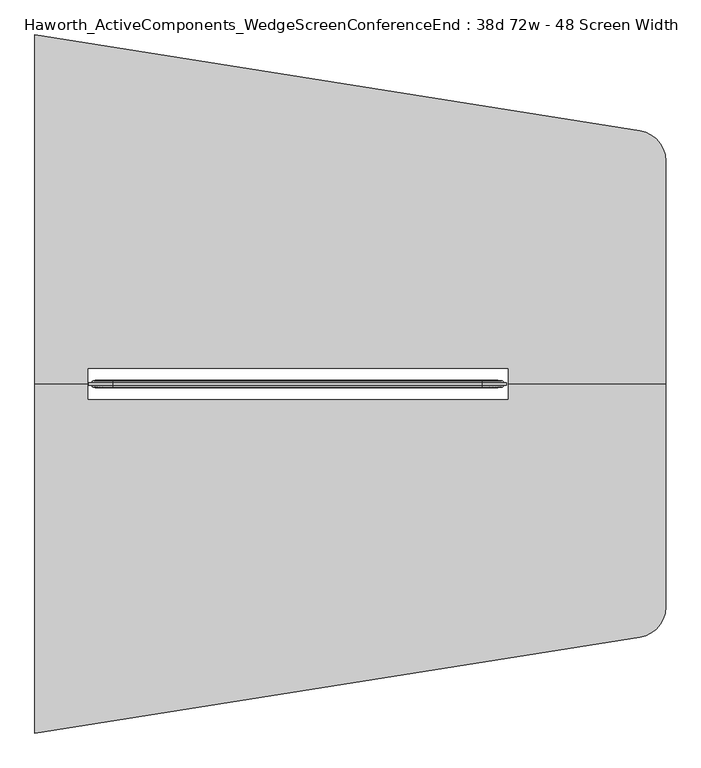
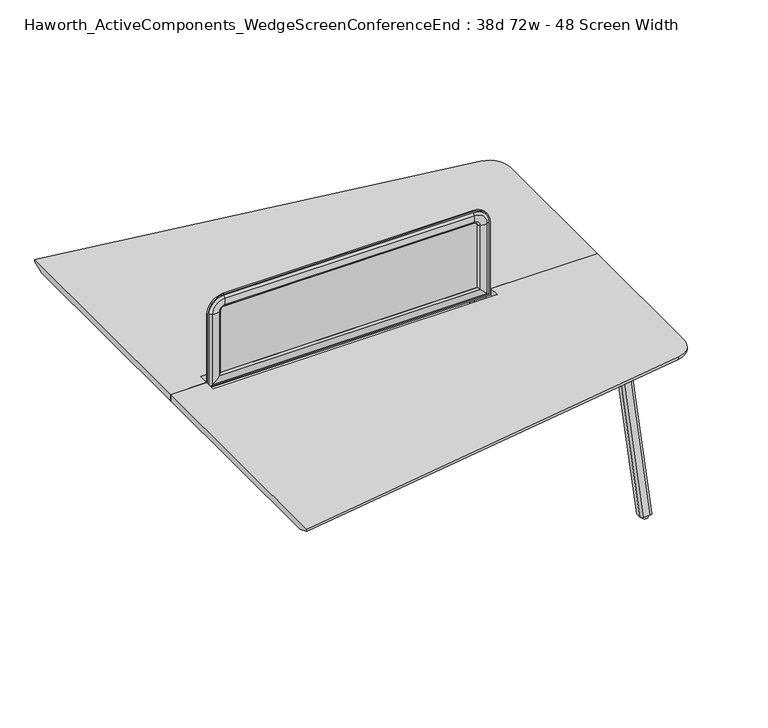
"""IFC4 building model written with IfcOpenShell, lengths in millimetres: furniture geometry, Haworth_ActiveComponents_WedgeScreenConferenceEnd : 38d 72w - 48 Screen Width."""

from ifc_helpers import new_model, si_unit, point, frame, frame_2d, origin, origin_with_axes, place, context, project, spatial, polyline, circle_curve, ellipse_curve, trimmed, segment, composite_curve, outline, extrude, source, transform, mapped, element, save
from ifc_brep_helpers import plane_surface, cylinder_surface, revolved_surface, extruded_surface, advanced_brep


def haworth_activecomponents_wedgescreenconferenceend_38d_72w_48_0d02850b(model_context):
    return source(origin(), model_context, "Body", "SolidModel", [
        advanced_brep(
        [(-313.5096882, 292.3715234, 1050.2564604), (-313.5096882, 298.7215234, 1050.2564604), (-313.5096882, 298.7215234, 715.4852418), (-313.5096882, 292.3715234, 715.4852418), (-297.9815318, 285.7253626, 1050.2564604), (-307.6365135, 292.3715234, 1050.2564604), (-307.6365135, 292.3715234, 721.3584165), (-297.9815318, 285.7253626, 731.0133982), (-269.0002339, 286.2587989, 1050.2564604), (-269.0002339, 286.2587989, 759.994696), (-259.207009, 292.3715234, 1050.2564604), (-259.207009, 292.3715234, 769.787921), (-259.207009, 298.7215234, 1050.2564604), (-259.207009, 298.7215234, 769.787921), (-269.0002339, 304.834248, 1050.2564604), (-269.0002339, 304.834248, 759.994696), (-297.9815318, 305.3676843, 1050.2564604), (-297.9815318, 305.3676843, 731.0133982), (-307.6365135, 298.7215234, 1050.2564604), (-307.6365135, 298.7215234, 721.3584165), (897.7096859, 298.7215234, 715.4852418), (897.7096859, 292.3715234, 715.4852418), (891.8365112, 292.3715234, 721.3584165), (882.1815295, 285.7253626, 731.0133982), (853.2002317, 286.2587989, 759.994696), (843.4070068, 292.3715234, 769.787921), (843.4070068, 298.7215234, 769.787921), (853.2002317, 304.834248, 759.994696), (882.1815295, 305.3676843, 731.0133982), (891.8365112, 298.7215234, 721.3584165), (897.7096859, 298.7215234, 1050.2564604), (897.7096859, 292.3715234, 1050.2564604), (891.8365112, 292.3715234, 1050.2564604), (882.1815295, 285.7253626, 1050.2564604), (853.2002317, 286.2587989, 1050.2564604), (843.4070068, 292.3715234, 1050.2564604), (843.4070068, 298.7215234, 1050.2564604), (853.2002317, 304.834248, 1050.2564604), (882.1815295, 305.3676843, 1050.2564604), (891.8365112, 298.7215234, 1050.2564604), (827.5320068, 292.3715234, 1120.4341395), (827.5320068, 298.7215234, 1120.4341395), (827.5320068, 285.7253626, 1104.9059832), (827.5320068, 292.3715234, 1114.5609648), (827.5320068, 286.2587989, 1075.9246853), (827.5320068, 292.3715234, 1066.1314604), (827.5320068, 298.7215234, 1066.1314604), (827.5320068, 304.834248, 1075.9246853), (827.5320068, 305.3676843, 1104.9059832), (827.5320068, 298.7215234, 1114.5609648), (-243.332009, 298.7215234, 1120.4341395), (-243.332009, 292.3715234, 1120.4341395), (-243.332009, 292.3715234, 1114.5609648), (-243.332009, 285.7253626, 1104.9059832), (-243.332009, 286.2587989, 1075.9246853), (-243.332009, 292.3715234, 1066.1314604), (-243.332009, 298.7215234, 1066.1314604), (-243.332009, 304.834248, 1075.9246853), (-243.332009, 305.3676843, 1104.9059832), (-243.332009, 298.7215234, 1114.5609648)],
        [
            (0, 1),
            (1, 2),
            (2, 3),
            (3, 0),
            (4, 5, circle_curve(frame((-293.7864346, 302.1556977, 1050.2564604), z_axis=(0.0, 0.0, -1.0), x_axis=(0.0, -1.0, 0.0)), 16.9574394)),
            (5, 6),
            (6, 7, ellipse_curve(frame((-293.7864346, 302.1556977, 735.2084954), z_axis=(-0.7071067811865452, 0.0, 0.7071067811865498), x_axis=(0.7071067811865498, 0.0, 0.7071067811865452)), 23.9814408, 16.9574394)),
            (7, 4),
            (8, 4, circle_curve(frame((-284.4606786, 338.680547, 1050.2564604), z_axis=(0.0, 0.0, -1.0), x_axis=(0.0, -1.0, 0.0)), 54.6540486)),
            (7, 9, ellipse_curve(frame((-284.4606786, 338.680547, 744.5342514), z_axis=(-0.7071067811865452, 0.0, 0.7071067811865498), x_axis=(0.7071067811865498, 0.0, 0.7071067811865452)), 77.2924967, 54.6540486)),
            (9, 8),
            (10, 8, circle_curve(frame((-275.0950958, 306.924654, 1050.2564604), z_axis=(0.0, 0.0, -1.0), x_axis=(0.0, -1.0, 0.0)), 21.5458792)),
            (9, 11, ellipse_curve(frame((-275.0950958, 306.924654, 753.8998342), z_axis=(-0.7071067811865452, 0.0, 0.7071067811865498), x_axis=(0.7071067811865498, 0.0, 0.7071067811865452)), 30.4704745, 21.5458792)),
            (11, 10),
            (12, 10),
            (11, 13),
            (13, 12),
            (14, 12, circle_curve(frame((-275.0950958, 284.1683929, 1050.2564604), z_axis=(0.0, 0.0, -1.0), x_axis=(0.0, -1.0, 0.0)), 21.5458792)),
            (13, 15, ellipse_curve(frame((-275.0950958, 284.1683929, 753.8998342), z_axis=(-0.7071067811865452, 0.0, 0.7071067811865498), x_axis=(0.7071067811865498, 0.0, 0.7071067811865452)), 30.4704745, 21.5458792)),
            (15, 14),
            (16, 14, circle_curve(frame((-284.4606786, 252.4124999, 1050.2564604), z_axis=(0.0, 0.0, -1.0), x_axis=(0.0, -1.0, 0.0)), 54.6540486)),
            (15, 17, ellipse_curve(frame((-284.4606786, 252.4124999, 744.5342514), z_axis=(-0.7071067811865452, 0.0, 0.7071067811865498), x_axis=(0.7071067811865498, 0.0, 0.7071067811865452)), 77.2924967, 54.6540486)),
            (17, 16),
            (18, 16, circle_curve(frame((-293.7864346, 288.9373492, 1050.2564604), z_axis=(0.0, 0.0, -1.0), x_axis=(0.0, -1.0, 0.0)), 16.9574394)),
            (17, 19, ellipse_curve(frame((-293.7864346, 288.9373492, 735.2084954), z_axis=(-0.7071067811865452, 0.0, 0.7071067811865498), x_axis=(0.7071067811865498, 0.0, 0.7071067811865452)), 23.9814408, 16.9574394)),
            (19, 18),
            (2, 20),
            (20, 21),
            (21, 3),
            (6, 22),
            (22, 23, ellipse_curve(frame((877.9864323, 302.1556977, 735.2084954), z_axis=(-0.7071067811865497, 0.0, -0.7071067811865454), x_axis=(-0.7071067811865454, 0.0, 0.7071067811865497)), 23.9814408, 16.9574394)),
            (23, 7),
            (23, 24, ellipse_curve(frame((868.6606764, 338.680547, 744.5342514), z_axis=(-0.7071067811865497, 0.0, -0.7071067811865454), x_axis=(-0.7071067811865454, 0.0, 0.7071067811865497)), 77.2924967, 54.6540486)),
            (24, 9),
            (24, 25, ellipse_curve(frame((859.2950935, 306.924654, 753.8998342), z_axis=(-0.7071067811865497, 0.0, -0.7071067811865454), x_axis=(-0.7071067811865454, 0.0, 0.7071067811865497)), 30.4704745, 21.5458792)),
            (25, 11),
            (25, 26),
            (26, 13),
            (26, 27, ellipse_curve(frame((859.2950935, 284.1683929, 753.8998342), z_axis=(-0.7071067811865497, 0.0, -0.7071067811865454), x_axis=(-0.7071067811865454, 0.0, 0.7071067811865497)), 30.4704745, 21.5458792)),
            (27, 15),
            (27, 28, ellipse_curve(frame((868.6606764, 252.4124999, 744.5342514), z_axis=(-0.7071067811865497, 0.0, -0.7071067811865454), x_axis=(-0.7071067811865454, 0.0, 0.7071067811865497)), 77.2924967, 54.6540486)),
            (28, 17),
            (28, 29, ellipse_curve(frame((877.9864323, 288.9373492, 735.2084954), z_axis=(-0.7071067811865497, 0.0, -0.7071067811865454), x_axis=(-0.7071067811865454, 0.0, 0.7071067811865497)), 23.9814408, 16.9574394)),
            (29, 19),
            (20, 30),
            (30, 31),
            (31, 21),
            (22, 32),
            (32, 33, circle_curve(frame((877.9864323, 302.1556977, 1050.2564604), z_axis=(0.0, 0.0, -1.0), x_axis=(0.0, -1.0, 0.0)), 16.9574394)),
            (33, 23),
            (33, 34, circle_curve(frame((868.6606764, 338.680547, 1050.2564604), z_axis=(0.0, 0.0, -1.0), x_axis=(0.0, -1.0, 0.0)), 54.6540486)),
            (34, 24),
            (34, 35, circle_curve(frame((859.2950935, 306.924654, 1050.2564604), z_axis=(0.0, 0.0, -1.0), x_axis=(0.0, -1.0, 0.0)), 21.5458792)),
            (35, 25),
            (35, 36),
            (36, 26),
            (36, 37, circle_curve(frame((859.2950935, 284.1683929, 1050.2564604), z_axis=(0.0, 0.0, -1.0), x_axis=(0.0, -1.0, 0.0)), 21.5458792)),
            (37, 27),
            (37, 38, circle_curve(frame((868.6606764, 252.4124999, 1050.2564604), z_axis=(0.0, 0.0, -1.0), x_axis=(0.0, -1.0, 0.0)), 54.6540486)),
            (38, 28),
            (38, 39, circle_curve(frame((877.9864323, 288.9373492, 1050.2564604), z_axis=(0.0, 0.0, -1.0), x_axis=(0.0, -1.0, 0.0)), 16.9574394)),
            (39, 29),
            (40, 31, circle_curve(frame((827.5320068, 292.3715234, 1050.2564604), z_axis=(0.0, 1.0, 0.0), x_axis=(1.0, 0.0, 0.0)), 70.1776791)),
            (30, 41, circle_curve(frame((827.5320068, 298.7215234, 1050.2564604), z_axis=(0.0, -1.0, 0.0), x_axis=(1.0, 0.0, 0.0)), 70.1776791)),
            (41, 40),
            (42, 33, circle_curve(frame((827.5320068, 285.7253626, 1050.2564604), z_axis=(0.0, 1.0, 0.0), x_axis=(1.0, 0.0, 0.0)), 54.6495228)),
            (32, 43, circle_curve(frame((827.5320068, 292.3715234, 1050.2564604), z_axis=(0.0, -1.0, 0.0), x_axis=(1.0, 0.0, 0.0)), 64.3045045)),
            (43, 42, circle_curve(frame((827.5320068, 302.1556977, 1100.7108859), z_axis=(1.0, 0.0, 0.0), x_axis=(0.0, -1.0, 0.0)), 16.9574394)),
            (44, 34, circle_curve(frame((827.5320068, 286.2587989, 1050.2564604), z_axis=(0.0, 1.0, 0.0), x_axis=(1.0, 0.0, 0.0)), 25.6682249)),
            (42, 44, circle_curve(frame((827.5320068, 338.680547, 1091.38513), z_axis=(1.0, 0.0, 0.0), x_axis=(0.0, -1.0, 0.0)), 54.6540486)),
            (45, 35, circle_curve(frame((827.5320068, 292.3715234, 1050.2564604), z_axis=(0.0, 1.0, 0.0), x_axis=(1.0, 0.0, 0.0)), 15.875)),
            (44, 45, circle_curve(frame((827.5320068, 306.924654, 1082.0195471), z_axis=(1.0, 0.0, 0.0), x_axis=(0.0, -1.0, 0.0)), 21.5458792)),
            (46, 36, circle_curve(frame((827.5320068, 298.7215234, 1050.2564604), z_axis=(0.0, 1.0, 0.0), x_axis=(1.0, 0.0, 0.0)), 15.875)),
            (45, 46),
            (47, 37, circle_curve(frame((827.5320068, 304.834248, 1050.2564604), z_axis=(0.0, 1.0, 0.0), x_axis=(1.0, 0.0, 0.0)), 25.6682249)),
            (46, 47, circle_curve(frame((827.5320068, 284.1683929, 1082.0195471), z_axis=(1.0, 0.0, 0.0), x_axis=(0.0, -1.0, 0.0)), 21.5458792)),
            (48, 38, circle_curve(frame((827.5320068, 305.3676843, 1050.2564604), z_axis=(0.0, 1.0, 0.0), x_axis=(1.0, 0.0, 0.0)), 54.6495228)),
            (47, 48, circle_curve(frame((827.5320068, 252.4124999, 1091.38513), z_axis=(1.0, 0.0, 0.0), x_axis=(0.0, -1.0, 0.0)), 54.6540486)),
            (49, 39, circle_curve(frame((827.5320068, 298.7215234, 1050.2564604), z_axis=(0.0, 1.0, 0.0), x_axis=(1.0, 0.0, 0.0)), 64.3045045)),
            (48, 49, circle_curve(frame((827.5320068, 288.9373492, 1100.7108859), z_axis=(1.0, 0.0, 0.0), x_axis=(0.0, -1.0, 0.0)), 16.9574394)),
            (41, 50),
            (50, 51),
            (51, 40),
            (43, 52),
            (52, 53, circle_curve(frame((-243.332009, 302.1556977, 1100.7108859), z_axis=(1.0, 0.0, 0.0), x_axis=(0.0, -1.0, 0.0)), 16.9574394)),
            (53, 42),
            (53, 54, circle_curve(frame((-243.332009, 338.680547, 1091.38513), z_axis=(1.0, 0.0, 0.0), x_axis=(0.0, -1.0, 0.0)), 54.6540486)),
            (54, 44),
            (54, 55, circle_curve(frame((-243.332009, 306.924654, 1082.0195471), z_axis=(1.0, 0.0, 0.0), x_axis=(0.0, -1.0, 0.0)), 21.5458792)),
            (55, 45),
            (55, 56),
            (56, 46),
            (56, 57, circle_curve(frame((-243.332009, 284.1683929, 1082.0195471), z_axis=(1.0, 0.0, 0.0), x_axis=(0.0, -1.0, 0.0)), 21.5458792)),
            (57, 47),
            (57, 58, circle_curve(frame((-243.332009, 252.4124999, 1091.38513), z_axis=(1.0, 0.0, 0.0), x_axis=(0.0, -1.0, 0.0)), 54.6540486)),
            (58, 48),
            (58, 59, circle_curve(frame((-243.332009, 288.9373492, 1100.7108859), z_axis=(1.0, 0.0, 0.0), x_axis=(0.0, -1.0, 0.0)), 16.9574394)),
            (59, 49),
            (0, 51, circle_curve(frame((-243.332009, 292.3715234, 1050.2564604), z_axis=(0.0, 1.0, 0.0), x_axis=(0.0, 0.0, 1.0)), 70.1776791)),
            (50, 1, circle_curve(frame((-243.332009, 298.7215234, 1050.2564604), z_axis=(0.0, -1.0, 0.0), x_axis=(0.0, 0.0, 1.0)), 70.1776791)),
            (5, 52, circle_curve(frame((-243.332009, 292.3715234, 1050.2564604), z_axis=(0.0, 1.0, 0.0), x_axis=(0.0, 0.0, 1.0)), 64.3045045)),
            (4, 53, circle_curve(frame((-243.332009, 285.7253626, 1050.2564604), z_axis=(0.0, 1.0, 0.0), x_axis=(0.0, 0.0, 1.0)), 54.6495228)),
            (8, 54, circle_curve(frame((-243.332009, 286.2587989, 1050.2564604), z_axis=(0.0, 1.0, 0.0), x_axis=(0.0, 0.0, 1.0)), 25.6682249)),
            (10, 55, circle_curve(frame((-243.332009, 292.3715234, 1050.2564604), z_axis=(0.0, 1.0, 0.0), x_axis=(0.0, 0.0, 1.0)), 15.875)),
            (12, 56, circle_curve(frame((-243.332009, 298.7215234, 1050.2564604), z_axis=(0.0, 1.0, 0.0), x_axis=(0.0, 0.0, 1.0)), 15.875)),
            (14, 57, circle_curve(frame((-243.332009, 304.834248, 1050.2564604), z_axis=(0.0, 1.0, 0.0), x_axis=(0.0, 0.0, 1.0)), 25.6682249)),
            (16, 58, circle_curve(frame((-243.332009, 305.3676843, 1050.2564604), z_axis=(0.0, 1.0, 0.0), x_axis=(0.0, 0.0, 1.0)), 54.6495228)),
            (18, 59, circle_curve(frame((-243.332009, 298.7215234, 1050.2564604), z_axis=(0.0, 1.0, 0.0), x_axis=(0.0, 0.0, 1.0)), 64.3045045)),
        ],
        [
            plane_surface(frame((-313.5096882, 298.7215234, 1050.2564604), z_axis=(-1.0, 0.0, 0.0), x_axis=(0.0, 0.0, -1.0))),
            cylinder_surface(frame((-293.7864346, 302.1556977, 1050.2564604), z_axis=(0.0, 0.0, 1.0), x_axis=(0.0, -1.0, 0.0)), 16.9574394),
            cylinder_surface(frame((-284.4606786, 338.680547, 1050.2564604), z_axis=(0.0, 0.0, 1.0), x_axis=(0.0, -1.0, 0.0)), 54.6540486),
            cylinder_surface(frame((-275.0950958, 306.924654, 1050.2564604), z_axis=(0.0, 0.0, 1.0), x_axis=(0.0, -1.0, 0.0)), 21.5458792),
            plane_surface(frame((-259.207009, 292.3715234, 1050.2564604), z_axis=(1.0, 0.0, 0.0), x_axis=(0.0, 0.0, -1.0))),
            cylinder_surface(frame((-275.0950958, 284.1683929, 1050.2564604), z_axis=(0.0, 0.0, 1.0), x_axis=(0.0, -1.0, 0.0)), 21.5458792),
            cylinder_surface(frame((-284.4606786, 252.4124999, 1050.2564604), z_axis=(0.0, 0.0, 1.0), x_axis=(0.0, -1.0, 0.0)), 54.6540486),
            cylinder_surface(frame((-293.7864346, 288.9373492, 1050.2564604), z_axis=(0.0, 0.0, 1.0), x_axis=(0.0, -1.0, 0.0)), 16.9574394),
            plane_surface(frame((-313.5096882, 298.7215234, 715.4852418), z_axis=(0.0, 0.0, -1.0), x_axis=(1.0, 0.0, 0.0))),
            cylinder_surface(frame((-259.207009, 302.1556977, 735.2084954), z_axis=(-1.0, 0.0, 0.0), x_axis=(0.0, -1.0, 0.0)), 16.9574394),
            cylinder_surface(frame((-259.207009, 338.680547, 744.5342514), z_axis=(-1.0, 0.0, 0.0), x_axis=(0.0, -1.0, 0.0)), 54.6540486),
            cylinder_surface(frame((-259.207009, 306.924654, 753.8998342), z_axis=(-1.0, 0.0, 0.0), x_axis=(0.0, -1.0, 0.0)), 21.5458792),
            plane_surface(frame((-259.207009, 292.3715234, 769.787921), z_axis=(0.0, 0.0, 1.0), x_axis=(1.0, 0.0, 0.0))),
            cylinder_surface(frame((-259.207009, 284.1683929, 753.8998342), z_axis=(-1.0, 0.0, 0.0), x_axis=(0.0, -1.0, 0.0)), 21.5458792),
            cylinder_surface(frame((-259.207009, 252.4124999, 744.5342514), z_axis=(-1.0, 0.0, 0.0), x_axis=(0.0, -1.0, 0.0)), 54.6540486),
            cylinder_surface(frame((-259.207009, 288.9373492, 735.2084954), z_axis=(-1.0, 0.0, 0.0), x_axis=(0.0, -1.0, 0.0)), 16.9574394),
            plane_surface(frame((897.7096859, 298.7215234, 715.4852418), z_axis=(1.0, 0.0, 0.0), x_axis=(0.0, 0.0, 1.0))),
            cylinder_surface(frame((877.9864323, 302.1556977, 769.787921), z_axis=(0.0, 0.0, -1.0), x_axis=(0.0, -1.0, 0.0)), 16.9574394),
            cylinder_surface(frame((868.6606764, 338.680547, 769.787921), z_axis=(0.0, 0.0, -1.0), x_axis=(0.0, -1.0, 0.0)), 54.6540486),
            cylinder_surface(frame((859.2950935, 306.924654, 769.787921), z_axis=(0.0, 0.0, -1.0), x_axis=(0.0, -1.0, 0.0)), 21.5458792),
            plane_surface(frame((843.4070068, 292.3715234, 769.787921), z_axis=(-1.0, 0.0, 0.0), x_axis=(0.0, 0.0, 1.0))),
            cylinder_surface(frame((859.2950935, 284.1683929, 769.787921), z_axis=(0.0, 0.0, -1.0), x_axis=(0.0, -1.0, 0.0)), 21.5458792),
            cylinder_surface(frame((868.6606764, 252.4124999, 769.787921), z_axis=(0.0, 0.0, -1.0), x_axis=(0.0, -1.0, 0.0)), 54.6540486),
            cylinder_surface(frame((877.9864323, 288.9373492, 769.787921), z_axis=(0.0, 0.0, -1.0), x_axis=(0.0, -1.0, 0.0)), 16.9574394),
            cylinder_surface(frame((827.5320068, 292.3715234, 1050.2564604), z_axis=(0.0, -1.0, 0.0), x_axis=(1.0, 0.0, 0.0)), 70.1776791),
            revolved_surface(trimmed(ellipse_curve(frame((877.9864323, 302.1556977, 1050.2564604), z_axis=(0.0, 0.0, -1.0), x_axis=(0.0, -1.0, 0.0)), 16.9574394, 16.9574394), [point((891.8365112, 292.3715234, 1050.2564604))], [point((882.1815295, 285.7253626, 1050.2564604))], True, "CARTESIAN"), (827.5320068, 292.3715234, 1050.2564604), (0.0, -1.0, 0.0)),
            revolved_surface(trimmed(ellipse_curve(frame((868.6606764, 338.680547, 1050.2564604), z_axis=(0.0, 0.0, -1.0), x_axis=(0.0, -1.0, 0.0)), 54.6540486, 54.6540486), [point((882.1815295, 285.7253626, 1050.2564604))], [point((853.2002317, 286.2587989, 1050.2564604))], True, "CARTESIAN"), (827.5320068, 292.3715234, 1050.2564604), (0.0, -1.0, 0.0)),
            revolved_surface(trimmed(ellipse_curve(frame((859.2950935, 306.924654, 1050.2564604), z_axis=(0.0, 0.0, -1.0), x_axis=(0.0, -1.0, 0.0)), 21.5458792, 21.5458792), [point((853.2002317, 286.2587989, 1050.2564604))], [point((843.4070068, 292.3715234, 1050.2564604))], True, "CARTESIAN"), (827.5320068, 292.3715234, 1050.2564604), (0.0, -1.0, 0.0)),
            revolved_surface(polyline([(843.4070068, 292.3715234, 1050.2564604), (843.4070068, 298.7215234, 1050.2564604)]), (827.5320068, 292.3715234, 1050.2564604), (0.0, -1.0, 0.0)),
            revolved_surface(trimmed(ellipse_curve(frame((859.2950935, 284.1683929, 1050.2564604), z_axis=(0.0, 0.0, -1.0), x_axis=(0.0, -1.0, 0.0)), 21.5458792, 21.5458792), [point((843.4070068, 298.7215234, 1050.2564604))], [point((853.2002317, 304.834248, 1050.2564604))], True, "CARTESIAN"), (827.5320068, 292.3715234, 1050.2564604), (0.0, -1.0, 0.0)),
            revolved_surface(trimmed(ellipse_curve(frame((868.6606764, 252.4124999, 1050.2564604), z_axis=(0.0, 0.0, -1.0), x_axis=(0.0, -1.0, 0.0)), 54.6540486, 54.6540486), [point((853.2002317, 304.834248, 1050.2564604))], [point((882.1815295, 305.3676843, 1050.2564604))], True, "CARTESIAN"), (827.5320068, 292.3715234, 1050.2564604), (0.0, -1.0, 0.0)),
            revolved_surface(trimmed(ellipse_curve(frame((877.9864323, 288.9373492, 1050.2564604), z_axis=(0.0, 0.0, -1.0), x_axis=(0.0, -1.0, 0.0)), 16.9574394, 16.9574394), [point((882.1815295, 305.3676843, 1050.2564604))], [point((891.8365112, 298.7215234, 1050.2564604))], True, "CARTESIAN"), (827.5320068, 292.3715234, 1050.2564604), (0.0, -1.0, 0.0)),
            plane_surface(frame((827.5320068, 298.7215234, 1120.4341395), z_axis=(0.0, 0.0, 1.0), x_axis=(-1.0, 0.0, 0.0))),
            cylinder_surface(frame((827.5320068, 302.1556977, 1100.7108859), z_axis=(1.0, 0.0, 0.0), x_axis=(0.0, -1.0, 0.0)), 16.9574394),
            cylinder_surface(frame((827.5320068, 338.680547, 1091.38513), z_axis=(1.0, 0.0, 0.0), x_axis=(0.0, -1.0, 0.0)), 54.6540486),
            cylinder_surface(frame((827.5320068, 306.924654, 1082.0195471), z_axis=(1.0, 0.0, 0.0), x_axis=(0.0, -1.0, 0.0)), 21.5458792),
            plane_surface(frame((827.5320068, 292.3715234, 1066.1314604), z_axis=(0.0, 0.0, -1.0), x_axis=(-1.0, 0.0, 0.0))),
            cylinder_surface(frame((827.5320068, 284.1683929, 1082.0195471), z_axis=(1.0, 0.0, 0.0), x_axis=(0.0, -1.0, 0.0)), 21.5458792),
            cylinder_surface(frame((827.5320068, 252.4124999, 1091.38513), z_axis=(1.0, 0.0, 0.0), x_axis=(0.0, -1.0, 0.0)), 54.6540486),
            cylinder_surface(frame((827.5320068, 288.9373492, 1100.7108859), z_axis=(1.0, 0.0, 0.0), x_axis=(0.0, -1.0, 0.0)), 16.9574394),
            cylinder_surface(frame((-243.332009, 292.3715234, 1050.2564604), z_axis=(0.0, -1.0, 0.0), x_axis=(0.0, 0.0, 1.0)), 70.1776791),
            plane_surface(frame((-243.332009, 292.3715234, 1050.2564604), z_axis=(0.0, -1.0, 0.0), x_axis=(0.0, 0.0, 1.0))),
            revolved_surface(trimmed(ellipse_curve(frame((-243.332009, 302.1556977, 1100.7108859), z_axis=(1.0, 0.0, 0.0), x_axis=(0.0, -1.0, 0.0)), 16.9574394, 16.9574394), [point((-243.332009, 292.3715234, 1114.5609648))], [point((-243.332009, 285.7253626, 1104.9059832))], True, "CARTESIAN"), (-243.332009, 292.3715234, 1050.2564604), (0.0, -1.0, 0.0)),
            revolved_surface(trimmed(ellipse_curve(frame((-243.332009, 338.680547, 1091.38513), z_axis=(1.0, 0.0, 0.0), x_axis=(0.0, -1.0, 0.0)), 54.6540486, 54.6540486), [point((-243.332009, 285.7253626, 1104.9059832))], [point((-243.332009, 286.2587989, 1075.9246853))], True, "CARTESIAN"), (-243.332009, 292.3715234, 1050.2564604), (0.0, -1.0, 0.0)),
            revolved_surface(trimmed(ellipse_curve(frame((-243.332009, 306.924654, 1082.0195471), z_axis=(1.0, 0.0, 0.0), x_axis=(0.0, -1.0, 0.0)), 21.5458792, 21.5458792), [point((-243.332009, 286.2587989, 1075.9246853))], [point((-243.332009, 292.3715234, 1066.1314604))], True, "CARTESIAN"), (-243.332009, 292.3715234, 1050.2564604), (0.0, -1.0, 0.0)),
            revolved_surface(polyline([(-243.332009, 292.3715234, 1066.1314604), (-243.332009, 298.7215234, 1066.1314604)]), (-243.332009, 292.3715234, 1050.2564604), (0.0, -1.0, 0.0)),
            revolved_surface(trimmed(ellipse_curve(frame((-243.332009, 284.1683929, 1082.0195471), z_axis=(1.0, 0.0, 0.0), x_axis=(0.0, -1.0, 0.0)), 21.5458792, 21.5458792), [point((-243.332009, 298.7215234, 1066.1314604))], [point((-243.332009, 304.834248, 1075.9246853))], True, "CARTESIAN"), (-243.332009, 292.3715234, 1050.2564604), (0.0, -1.0, 0.0)),
            revolved_surface(trimmed(ellipse_curve(frame((-243.332009, 252.4124999, 1091.38513), z_axis=(1.0, 0.0, 0.0), x_axis=(0.0, -1.0, 0.0)), 54.6540486, 54.6540486), [point((-243.332009, 304.834248, 1075.9246853))], [point((-243.332009, 305.3676843, 1104.9059832))], True, "CARTESIAN"), (-243.332009, 292.3715234, 1050.2564604), (0.0, -1.0, 0.0)),
            revolved_surface(trimmed(ellipse_curve(frame((-243.332009, 288.9373492, 1100.7108859), z_axis=(1.0, 0.0, 0.0), x_axis=(0.0, -1.0, 0.0)), 16.9574394, 16.9574394), [point((-243.332009, 305.3676843, 1104.9059832))], [point((-243.332009, 298.7215234, 1114.5609648))], True, "CARTESIAN"), (-243.332009, 292.3715234, 1050.2564604), (0.0, -1.0, 0.0)),
            plane_surface(frame((-243.332009, 298.7215234, 1050.2564604), z_axis=(0.0, 1.0, 0.0), x_axis=(0.0, 0.0, 1.0))),
        ],
        [
            (0, [[1, 2, 3, 4]]),
            (1, [[5, 6, 7, 8]]),
            (2, [[9, -8, 10, 11]]),
            (3, [[12, -11, 13, 14]]),
            (4, [[15, -14, 16, 17]]),
            (5, [[18, -17, 19, 20]]),
            (6, [[21, -20, 22, 23]]),
            (7, [[24, -23, 25, 26]]),
            (8, [[-3, 27, 28, 29]]),
            (9, [[-7, 30, 31, 32]]),
            (10, [[-10, -32, 33, 34]]),
            (11, [[-13, -34, 35, 36]]),
            (12, [[-16, -36, 37, 38]]),
            (13, [[-19, -38, 39, 40]]),
            (14, [[-22, -40, 41, 42]]),
            (15, [[-25, -42, 43, 44]]),
            (16, [[-28, 45, 46, 47]]),
            (17, [[-31, 48, 49, 50]]),
            (18, [[-33, -50, 51, 52]]),
            (19, [[-35, -52, 53, 54]]),
            (20, [[-37, -54, 55, 56]]),
            (21, [[-39, -56, 57, 58]]),
            (22, [[-41, -58, 59, 60]]),
            (23, [[-43, -60, 61, 62]]),
            (24, [[63, -46, 64, 65]]),
            (25, [[66, -49, 67, 68]]),
            (26, [[69, -51, -66, 70]]),
            (27, [[71, -53, -69, 72]]),
            (28, [[73, -55, -71, 74]]),
            (29, [[75, -57, -73, 76]]),
            (30, [[77, -59, -75, 78]]),
            (31, [[79, -61, -77, 80]]),
            (32, [[-65, 81, 82, 83]]),
            (33, [[-68, 84, 85, 86]]),
            (34, [[-70, -86, 87, 88]]),
            (35, [[-72, -88, 89, 90]]),
            (36, [[-74, -90, 91, 92]]),
            (37, [[-76, -92, 93, 94]]),
            (38, [[-78, -94, 95, 96]]),
            (39, [[-80, -96, 97, 98]]),
            (40, [[99, -82, 100, -1]]),
            (41, [[-63, -83, -99, -4, -29, -47], [101, -84, -67, -48, -30, -6]]),
            (42, [[102, -85, -101, -5]]),
            (43, [[103, -87, -102, -9]]),
            (44, [[104, -89, -103, -12]]),
            (45, [[105, -91, -104, -15]]),
            (46, [[106, -93, -105, -18]]),
            (47, [[107, -95, -106, -21]]),
            (48, [[108, -97, -107, -24]]),
            (49, [[-100, -81, -64, -45, -27, -2], [-79, -98, -108, -26, -44, -62]]),
        ],
    ),
        extrude(outline(composite_curve([segment(polyline([(769.787921, 843.4070068), (1050.2564604, 843.4070068)]), True, "CONTINUOUS"), segment(trimmed(circle_curve(frame_2d((1050.2564604, 827.5320068)), 15.875), [point((1050.2564604, 843.4070068))], [point((1066.1314604, 827.5320068))], False, "CARTESIAN"), True, "CONTINUOUS"), segment(polyline([(1066.1314604, 827.5320068), (1066.1314604, -243.332009)]), True, "CONTINUOUS"), segment(trimmed(circle_curve(frame_2d((1050.2564604, -243.332009)), 15.875), [point((1066.1314604, -243.332009))], [point((1050.2564604, -259.207009))], False, "CARTESIAN"), True, "CONTINUOUS"), segment(polyline([(1050.2564604, -259.207009), (769.787921, -259.207009), (769.787921, 843.4070068)]), True, "CONTINUOUS")], self_intersect=False)), frame((0.0, 292.3715234, 0.0), z_axis=(0.0, 1.0, 0.0), x_axis=(0.0, 0.0, 1.0)), (0.0, 0.0, 1.0), 6.35),
        advanced_brep(
        [(903.2875, 341.5840234, 741.3625), (903.2875, 295.5465234, 741.3625), (1358.9, 295.5465234, 741.3625), (1358.9, 941.202786, 741.3625), (1283.9070239, 1029.0082795, 741.3625), (-469.9, 1306.7840234, 741.3625), (-469.9, 295.5465234, 741.3625), (-317.5, 295.5465234, 741.3625), (-317.5, 341.5840234, 741.3625), (903.2875, 341.5840234, 711.2), (-317.5, 341.5840234, 711.2), (-317.5, 295.5465234, 711.2), (-469.9, 295.5465234, 711.2), (-469.9, 1255.3507951, 711.2), (1275.9601531, 978.8337118, 711.2), (1308.1, 941.202786, 711.2), (1308.1, 295.5465234, 711.2), (903.2875, 295.5465234, 711.2), (-469.9, 1306.7840234, 731.8375), (1358.9, 295.5465234, 731.8375), (1358.9, 941.202786, 731.8375), (1283.9070239, 1029.0082795, 731.8375)],
        [
            (0, 1),
            (1, 2),
            (2, 3),
            (3, 4, circle_curve(frame((1270.0, 941.202786, 741.3625), z_axis=(0.0, 0.0, 1.0), x_axis=(1.0, 0.0, 0.0)), 88.9)),
            (4, 5),
            (5, 6),
            (6, 7),
            (7, 8),
            (8, 0),
            (9, 10),
            (10, 11),
            (11, 12),
            (12, 13),
            (13, 14),
            (14, 15, circle_curve(frame((1270.0, 941.202786, 711.2), z_axis=(0.0, 0.0, -1.0), x_axis=(0.15643446504022915, 0.987688340595138, 0.0)), 38.1)),
            (15, 16),
            (16, 17),
            (17, 9),
            (8, 10),
            (9, 0),
            (5, 18),
            (18, 13),
            (12, 6),
            (2, 19),
            (19, 20),
            (20, 3),
            (1, 17),
            (16, 19),
            (4, 21),
            (21, 18),
            (20, 21, circle_curve(frame((1270.0, 941.202786, 731.8375), z_axis=(0.0, 0.0, 1.0), x_axis=(1.0, 0.0, 0.0)), 88.9)),
            (21, 14),
            (20, 15),
            (7, 11),
        ],
        [
            plane_surface(frame((-317.5, 341.5840234, 741.3625), z_axis=(0.0, 0.0, 1.0), x_axis=(-1.0, 0.0, 0.0))),
            plane_surface(frame((-317.5, 341.5840234, 711.2), z_axis=(0.0, 0.0, -1.0), x_axis=(1.0, 0.0, 0.0))),
            plane_surface(frame((903.2875, 341.5840234, 741.3625), z_axis=(0.0, -1.0, 0.0), x_axis=(0.0, 0.0, -1.0))),
            plane_surface(frame((-469.9, 295.5465234, 741.3625), z_axis=(-1.0, 0.0, 0.0), x_axis=(0.0, 0.0, -1.0))),
            plane_surface(frame((1358.9, 941.202786, 741.3625), z_axis=(1.0, 0.0, 0.0), x_axis=(0.0, 0.0, -1.0))),
            plane_surface(frame((1358.9, 295.5465234, 741.3625), z_axis=(0.0, -1.0, 0.0), x_axis=(0.0, 0.0, -1.0))),
            plane_surface(frame((903.2875, 295.5465234, 741.3625), z_axis=(-1.0, 0.0, 0.0), x_axis=(0.0, 0.0, -1.0))),
            plane_surface(frame((-469.9, 1306.7840234, 741.3625), z_axis=(0.15643446504024017, 0.9876883405951362, 0.0), x_axis=(0.0, 0.0, -1.0))),
            cylinder_surface(frame((1270.0, 941.202786, 711.2), z_axis=(0.0, 0.0, 1.0), x_axis=(1.0, 0.0, 0.0)), 88.9),
            plane_surface(frame((-469.9, 1306.7840234, 731.8375), z_axis=(0.05887834199406397, 0.37174322094655393, -0.9264665771220847), x_axis=(0.9876883405951362, -0.15643446504024017, 0.0))),
            revolved_surface(polyline([(1275.9601531, 978.8337118, 711.2), (1283.9070239, 1029.0082795, 731.8375)]), (1270.0, 941.202786, 741.3625), (0.0, 0.0, 1.0)),
            plane_surface(frame((1358.9, 941.202786, 731.8375), z_axis=(0.3763770469564906, 0.0, -0.9264665771220848), x_axis=(0.0, -1.0, 0.0))),
            plane_surface(frame((-317.5, 341.5840234, 741.3625), z_axis=(1.0, 0.0, 0.0), x_axis=(0.0, 0.0, -1.0))),
            plane_surface(frame((-317.5, 295.5465234, 741.3625), z_axis=(0.0, -1.0, 0.0), x_axis=(0.0, 0.0, -1.0))),
        ],
        [
            (0, [[1, 2, 3, 4, 5, 6, 7, 8, 9]]),
            (1, [[10, 11, 12, 13, 14, 15, 16, 17, 18]]),
            (2, [[19, -10, 20, -9]]),
            (3, [[21, 22, -13, 23, -6]]),
            (4, [[24, 25, 26, -3]]),
            (5, [[27, -17, 28, -24, -2]]),
            (6, [[-20, -18, -27, -1]]),
            (7, [[29, 30, -21, -5]]),
            (8, [[-26, 31, -29, -4]]),
            (9, [[-14, -22, -30, 32]]),
            (10, [[-31, 33, -15, -32]]),
            (11, [[-25, -28, -16, -33]]),
            (12, [[34, -11, -19, -8]]),
            (13, [[-23, -12, -34, -7]]),
        ],
    ),
        advanced_brep(
        [(903.2875, 249.5090234, 741.3625), (-317.5, 249.5090234, 741.3625), (-317.5, 295.5465234, 741.3625), (-469.9, 295.5465234, 741.3625), (-469.9, -715.6909766, 741.3625), (1283.9070239, -437.9152326, 741.3625), (1358.9, -350.1097392, 741.3625), (1358.9, 295.5465234, 741.3625), (903.2875, 295.5465234, 741.3625), (903.2875, 249.5090234, 711.2), (903.2875, 295.5465234, 711.2), (1308.1, 295.5465234, 711.2), (1308.1, -350.1097392, 711.2), (1275.9601531, -387.7406649, 711.2), (-469.9, -664.2577482, 711.2), (-469.9, 295.5465234, 711.2), (-317.5, 295.5465234, 711.2), (-317.5, 249.5090234, 711.2), (-469.9, -715.6909766, 731.8375), (1358.9, -350.1097392, 731.8375), (1358.9, 295.5465234, 731.8375), (1283.9070239, -437.9152326, 731.8375)],
        [
            (0, 1),
            (1, 2),
            (2, 3),
            (3, 4),
            (4, 5),
            (5, 6, circle_curve(frame((1270.0, -350.1097392, 741.3625), z_axis=(0.0, 0.0, 1.0), x_axis=(1.0, 0.0, 0.0)), 88.9)),
            (6, 7),
            (7, 8),
            (8, 0),
            (9, 10),
            (10, 11),
            (11, 12),
            (12, 13, circle_curve(frame((1270.0, -350.1097392, 711.2), z_axis=(0.0, 0.0, -1.0), x_axis=(0.1564344650402228, -0.987688340595139, 0.0)), 38.1)),
            (13, 14),
            (14, 15),
            (15, 16),
            (16, 17),
            (17, 9),
            (0, 9),
            (17, 1),
            (3, 15),
            (14, 18),
            (18, 4),
            (6, 19),
            (19, 20),
            (20, 7),
            (20, 11),
            (10, 8),
            (18, 21),
            (21, 5),
            (21, 19, circle_curve(frame((1270.0, -350.1097392, 731.8375), z_axis=(0.0, 0.0, 1.0), x_axis=(1.0, 0.0, 0.0)), 88.9)),
            (13, 21),
            (12, 19),
            (16, 2),
        ],
        [
            plane_surface(frame((-317.5, 249.5090234, 741.3625), z_axis=(0.0, 0.0, 1.0), x_axis=(-1.0, 0.0, 0.0))),
            plane_surface(frame((-317.5, 249.5090234, 711.2), z_axis=(0.0, 0.0, -1.0), x_axis=(1.0, 0.0, 0.0))),
            plane_surface(frame((903.2875, 249.5090234, 741.3625), z_axis=(0.0, 1.0, 0.0), x_axis=(0.0, 0.0, -1.0))),
            plane_surface(frame((-469.9, 295.5465234, 741.3625), z_axis=(-1.0, 0.0, 0.0), x_axis=(0.0, 0.0, -1.0))),
            plane_surface(frame((1358.9, -350.1097392, 741.3625), z_axis=(1.0, 0.0, 0.0), x_axis=(0.0, 0.0, -1.0))),
            plane_surface(frame((1358.9, 295.5465234, 741.3625), z_axis=(0.0, 1.0, 0.0), x_axis=(0.0, 0.0, -1.0))),
            plane_surface(frame((903.2875, 295.5465234, 741.3625), z_axis=(-1.0, 0.0, 0.0), x_axis=(0.0, 0.0, -1.0))),
            plane_surface(frame((-469.9, -715.6909766, 741.3625), z_axis=(0.1564344650402338, -0.9876883405951372, 0.0), x_axis=(0.0, 0.0, -1.0))),
            cylinder_surface(frame((1270.0, -350.1097392, 711.2), z_axis=(0.0, 0.0, 1.0), x_axis=(1.0, 0.0, 0.0)), 88.9),
            plane_surface(frame((-469.9, -715.6909766, 731.8375), z_axis=(0.05887834199406158, -0.3717432209465543, -0.9264665771220846), x_axis=(0.9876883405951372, 0.1564344650402338, 0.0))),
            revolved_surface(polyline([(1275.9601531, -387.7406649, 711.2), (1283.9070239, -437.9152326, 731.8375)]), (1270.0, -350.1097392, 741.3625), (0.0, 0.0, 1.0)),
            plane_surface(frame((1358.9, -350.1097392, 731.8375), z_axis=(0.3763770469564906, 0.0, -0.9264665771220848), x_axis=(0.0, 1.0, 0.0))),
            plane_surface(frame((-317.5, 249.5090234, 741.3625), z_axis=(1.0, 0.0, 0.0), x_axis=(0.0, 0.0, -1.0))),
            plane_surface(frame((-317.5, 295.5465234, 741.3625), z_axis=(0.0, 1.0, 0.0), x_axis=(0.0, 0.0, -1.0))),
        ],
        [
            (0, [[1, 2, 3, 4, 5, 6, 7, 8, 9]]),
            (1, [[10, 11, 12, 13, 14, 15, 16, 17, 18]]),
            (2, [[-1, 19, -18, 20]]),
            (3, [[-4, 21, -15, 22, 23]]),
            (4, [[-7, 24, 25, 26]]),
            (5, [[-8, -26, 27, -11, 28]]),
            (6, [[-9, -28, -10, -19]]),
            (7, [[-5, -23, 29, 30]]),
            (8, [[-6, -30, 31, -24]]),
            (9, [[32, -29, -22, -14]]),
            (10, [[-32, -13, 33, -31]]),
            (11, [[-33, -12, -27, -25]]),
            (12, [[-2, -20, -17, 34]]),
            (13, [[-3, -34, -16, -21]]),
        ],
    ),
        extrude(outline(composite_curve([segment(polyline([(1209.294, 681.2660641), (1101.3440004, 681.2660641)]), True, "CONTINUOUS"), segment(trimmed(circle_curve(frame_2d((1101.3440004, 690.7910641)), 9.525), [point((1101.3440004, 681.2660641))], [point((1091.8190004, 690.7910641))], False, "CARTESIAN"), True, "CONTINUOUS"), segment(polyline([(1091.8190004, 690.7910641), (1091.8190004, 773.4644335)]), True, "CONTINUOUS"), segment(trimmed(circle_curve(frame_2d((1101.3440004, 773.4644335)), 9.525), [point((1091.8190004, 773.4644335))], [point((1101.3440004, 782.9894335))], False, "CARTESIAN"), True, "CONTINUOUS"), segment(polyline([(1101.3440004, 782.9894335), (1209.294, 782.9894335)]), True, "CONTINUOUS"), segment(trimmed(circle_curve(frame_2d((1209.294, 773.4644335)), 9.525), [point((1209.294, 782.9894335))], [point((1218.819, 773.4644335))], False, "CARTESIAN"), True, "CONTINUOUS"), segment(polyline([(1218.819, 773.4644335), (1218.819, 690.7910641)]), True, "CONTINUOUS"), segment(trimmed(circle_curve(frame_2d((1209.294, 690.7910641)), 9.525), [point((1218.819, 690.7910641))], [point((1209.294, 681.2660641))], False, "CARTESIAN"), True, "CONTINUOUS")], self_intersect=False)), frame((0.0, 0.0, 705.2055742), z_axis=(0.0, 0.0, 1.0), x_axis=(1.0, 0.0, 0.0)), (0.0, 0.0, 1.0), 5.9944258),
        advanced_brep(
        [(1203.325, 775.7652734, 705.2055742), (1171.575, 775.7652734, 705.2055742), (1162.05, 766.2402734, 705.2055742), (1162.05, 745.6027734, 705.2055742), (1212.85, 745.6027734, 705.2055742), (1212.85, 766.2402734, 705.2055742), (1203.325, 962.2535641, 12.7), (1212.85, 952.7285641, 12.7), (1212.85, 932.0910641, 12.7), (1162.05, 932.0910641, 12.7), (1162.05, 952.7285641, 12.7), (1171.575, 962.2535641, 12.7)],
        [
            (0, 1),
            (1, 2, circle_curve(frame((1171.575, 766.2402734, 705.2055742), z_axis=(0.0, 0.0, 1.0), x_axis=(1.0, 0.0, 0.0)), 9.525)),
            (2, 3),
            (3, 4),
            (4, 5),
            (5, 0, circle_curve(frame((1203.325, 766.2402734, 705.2055742), z_axis=(0.0, 0.0, 1.0), x_axis=(1.0, 0.0, 0.0)), 9.525)),
            (6, 7, circle_curve(frame((1203.325, 952.7285641, 12.7), z_axis=(0.0, 0.0, -1.0), x_axis=(1.0, 0.0, 0.0)), 9.525)),
            (7, 8),
            (8, 9),
            (9, 10),
            (10, 11, circle_curve(frame((1171.575, 952.7285641, 12.7), z_axis=(0.0, 0.0, -1.0), x_axis=(1.0, 0.0, 0.0)), 9.525)),
            (11, 6),
            (6, 0),
            (5, 7),
            (4, 8),
            (3, 9),
            (2, 10),
            (1, 11),
        ],
        [
            plane_surface(frame((1187.45, 762.5361068, 705.2055742), z_axis=(0.0, 0.0, 1.0), x_axis=(-1.0, 0.0, 0.0))),
            plane_surface(frame((1187.45, 949.0243975, 12.7), z_axis=(0.0, 0.0, -1.0), x_axis=(-1.0, 0.0, 0.0))),
            extruded_surface(trimmed(circle_curve(frame((1203.325, 766.2402734, 705.2055742), z_axis=(0.0, 0.0, -1.0), x_axis=(1.0, 0.0, 0.0)), 9.525), [point((1203.325, 775.7652734, 705.2055742))], [point((1212.85, 766.2402734, 705.2055742))], True, "CARTESIAN"), (0.0, 186.4882907, -692.5055742), 717.1763052878136),
            plane_surface(frame((1212.85, 942.4098141, 12.7), z_axis=(1.0, 0.0, 0.0), x_axis=(0.0, -1.0, 0.0))),
            plane_surface(frame((1187.45, 932.0910641, 12.7), z_axis=(0.0, -0.9656001865922422, -0.260031305140414), x_axis=(-1.0, 0.0, 0.0))),
            plane_surface(frame((1162.05, 942.4098141, 12.7), z_axis=(-1.0, 0.0, 0.0), x_axis=(0.0, 1.0, 0.0))),
            extruded_surface(trimmed(circle_curve(frame((1171.575, 766.2402734, 705.2055742), z_axis=(0.0, 0.0, -1.0), x_axis=(1.0, 0.0, 0.0)), 9.525), [point((1162.05, 766.2402734, 705.2055742))], [point((1171.575, 775.7652734, 705.2055742))], True, "CARTESIAN"), (0.0, 186.4882907, -692.5055742), 717.1763052878136),
            plane_surface(frame((1187.45, 962.2535641, 12.7), z_axis=(0.0, 0.9656001865922422, 0.260031305140414), x_axis=(1.0, 0.0, 0.0))),
        ],
        [
            (0, [[1, 2, 3, 4, 5, 6]]),
            (1, [[7, 8, 9, 10, 11, 12]]),
            (2, [[13, -6, 14, -7]]),
            (3, [[-14, -5, 15, -8]]),
            (4, [[-15, -4, 16, -9]]),
            (5, [[-16, -3, 17, -10]]),
            (6, [[-17, -2, 18, -11]]),
            (7, [[-18, -1, -13, -12]]),
        ],
    ),
        extrude(outline(composite_curve([segment(trimmed(circle_curve(frame_2d((1187.45, 946.3785641)), 12.7), [point((1174.75, 946.3785641))], [point((1200.15, 946.3785641))], False, "CARTESIAN"), True, "CONTINUOUS"), segment(trimmed(circle_curve(frame_2d((1187.45, 946.3785641)), 12.7), [point((1200.15, 946.3785641))], [point((1174.75, 946.3785641))], False, "CARTESIAN"), True, "CONTINUOUS")], self_intersect=False)), origin_with_axes(), (0.0, 0.0, 1.0), 12.7),
        extrude(outline(composite_curve([segment(trimmed(circle_curve(frame_2d((1209.294, -99.6980172)), 9.525), [point((1209.294, -90.1730172))], [point((1218.819, -99.6980172))], False, "CARTESIAN"), True, "CONTINUOUS"), segment(polyline([(1218.819, -99.6980172), (1218.819, -182.3713866)]), True, "CONTINUOUS"), segment(trimmed(circle_curve(frame_2d((1209.294, -182.3713866)), 9.525), [point((1218.819, -182.3713866))], [point((1209.294, -191.8963866))], False, "CARTESIAN"), True, "CONTINUOUS"), segment(polyline([(1209.294, -191.8963866), (1101.3440004, -191.8963866)]), True, "CONTINUOUS"), segment(trimmed(circle_curve(frame_2d((1101.3440004, -182.3713866)), 9.525), [point((1101.3440004, -191.8963866))], [point((1091.8190004, -182.3713866))], False, "CARTESIAN"), True, "CONTINUOUS"), segment(polyline([(1091.8190004, -182.3713866), (1091.8190004, -99.6980172)]), True, "CONTINUOUS"), segment(trimmed(circle_curve(frame_2d((1101.3440004, -99.6980172)), 9.525), [point((1091.8190004, -99.6980172))], [point((1101.3440004, -90.1730172))], False, "CARTESIAN"), True, "CONTINUOUS"), segment(polyline([(1101.3440004, -90.1730172), (1209.294, -90.1730172)]), True, "CONTINUOUS")], self_intersect=False)), frame((0.0, 0.0, 705.2055742), z_axis=(0.0, 0.0, 1.0), x_axis=(1.0, 0.0, 0.0)), (0.0, 0.0, 1.0), 5.9944258),
        advanced_brep(
        [(1203.325, -184.6722266, 705.2055742), (1212.85, -175.1472266, 705.2055742), (1212.85, -154.5097266, 705.2055742), (1162.05, -154.5097266, 705.2055742), (1162.05, -175.1472266, 705.2055742), (1171.575, -184.6722266, 705.2055742), (1203.325, -371.1605172, 12.7), (1171.575, -371.1605172, 12.7), (1162.05, -361.6355172, 12.7), (1162.05, -340.9980172, 12.7), (1212.85, -340.9980172, 12.7), (1212.85, -361.6355172, 12.7)],
        [
            (0, 1, circle_curve(frame((1203.325, -175.1472266, 705.2055742), z_axis=(0.0, 0.0, 1.0), x_axis=(1.0, 0.0, 0.0)), 9.525)),
            (1, 2),
            (2, 3),
            (3, 4),
            (4, 5, circle_curve(frame((1171.575, -175.1472266, 705.2055742), z_axis=(0.0, 0.0, 1.0), x_axis=(1.0, 0.0, 0.0)), 9.525)),
            (5, 0),
            (6, 7),
            (7, 8, circle_curve(frame((1171.575, -361.6355172, 12.7), z_axis=(0.0, 0.0, -1.0), x_axis=(1.0, 0.0, 0.0)), 9.525)),
            (8, 9),
            (9, 10),
            (10, 11),
            (11, 6, circle_curve(frame((1203.325, -361.6355172, 12.7), z_axis=(0.0, 0.0, -1.0), x_axis=(1.0, 0.0, 0.0)), 9.525)),
            (11, 1),
            (0, 6),
            (10, 2),
            (9, 3),
            (8, 4),
            (7, 5),
        ],
        [
            plane_surface(frame((1187.45, -171.4430599, 705.2055742), z_axis=(0.0, 0.0, 1.0), x_axis=(-1.0, 0.0, 0.0))),
            plane_surface(frame((1187.45, -357.9313506, 12.7), z_axis=(0.0, 0.0, -1.0), x_axis=(-1.0, 0.0, 0.0))),
            extruded_surface(trimmed(circle_curve(frame((1203.325, -361.6355172, 12.7), z_axis=(0.0, 0.0, 1.0), x_axis=(1.0, 0.0, 0.0)), 9.525), [point((1203.325, -371.1605172, 12.7))], [point((1212.85, -361.6355172, 12.7))], True, "CARTESIAN"), (0.0, 186.48829059999997, 692.5055742), 717.1763052618105),
            plane_surface(frame((1212.85, -351.3167672, 12.7), z_axis=(1.0, 0.0, 0.0), x_axis=(0.0, 1.0, 0.0))),
            plane_surface(frame((1187.45, -340.9980172, 12.7), z_axis=(0.0, 0.9656001865922422, -0.260031305140414), x_axis=(-1.0, 0.0, 0.0))),
            plane_surface(frame((1162.05, -351.3167672, 12.7), z_axis=(-1.0, 0.0, 0.0), x_axis=(0.0, -1.0, 0.0))),
            extruded_surface(trimmed(circle_curve(frame((1171.575, -361.6355172, 12.7), z_axis=(0.0, 0.0, 1.0), x_axis=(1.0, 0.0, 0.0)), 9.525), [point((1162.05, -361.6355172, 12.7))], [point((1171.575, -371.1605172, 12.7))], True, "CARTESIAN"), (0.0, 186.48829059999997, 692.5055742), 717.1763052618105),
            plane_surface(frame((1187.45, -371.1605172, 12.7), z_axis=(0.0, -0.9656001865922422, 0.260031305140414), x_axis=(1.0, 0.0, 0.0))),
        ],
        [
            (0, [[1, 2, 3, 4, 5, 6]]),
            (1, [[7, 8, 9, 10, 11, 12]]),
            (2, [[-12, 13, -1, 14]]),
            (3, [[-11, 15, -2, -13]]),
            (4, [[-10, 16, -3, -15]]),
            (5, [[-9, 17, -4, -16]]),
            (6, [[-8, 18, -5, -17]]),
            (7, [[-7, -14, -6, -18]]),
        ],
    ),
        extrude(outline(composite_curve([segment(trimmed(circle_curve(frame_2d((1187.45, -355.2855172)), 12.7), [point((1174.75, -355.2855172))], [point((1200.15, -355.2855172))], False, "CARTESIAN"), True, "CONTINUOUS"), segment(trimmed(circle_curve(frame_2d((1187.45, -355.2855172)), 12.7), [point((1200.15, -355.2855172))], [point((1174.75, -355.2855172))], False, "CARTESIAN"), True, "CONTINUOUS")], self_intersect=False)), origin_with_axes(), (0.0, 0.0, 1.0), 12.7),
    ])


if __name__ == "__main__":
    model = new_model("IFC4")
    model_context = context("Model", 3, world=origin())
    ifc_project = project(units=[si_unit("LENGTHUNIT", "METRE", prefix="MILLI")], contexts=[model_context])
    site = spatial("IfcSite", under=ifc_project)
    building = spatial("IfcBuilding", under=site)
    placement = place(None, origin())
    haworth_activecomponents_wedgescreenconferenceend_38d_72w_48_shape = haworth_activecomponents_wedgescreenconferenceend_38d_72w_48_0d02850b(model_context)
    element("IfcFurniture", 1, ObjectType="Haworth_ActiveComponents_WedgeScreenConferenceEnd : 38d 72w - 48 Screen Width", at=placement, inside=building, context=model_context, shape_type="MappedRepresentation", body=[
        mapped(haworth_activecomponents_wedgescreenconferenceend_38d_72w_48_shape, transform((0.0, 0.0, 0.0), x_axis=(1.0, 0.0, 0.0), y_axis=(0.0, 1.0, 0.0), z_axis=(0.0, 0.0, 1.0))),
    ])
    save(model, "model.ifc")
